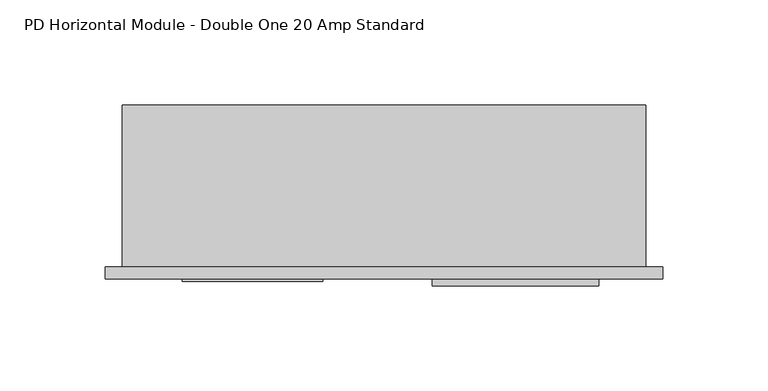
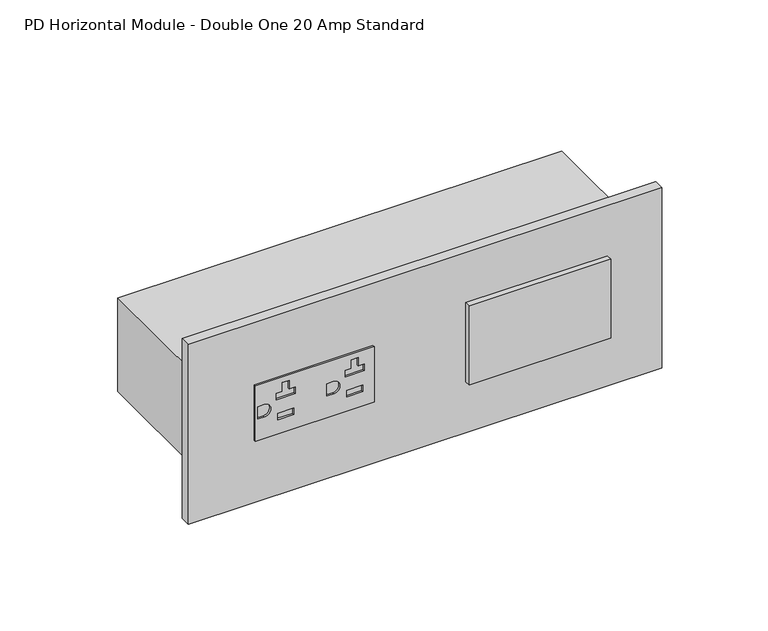
"""IFC4 building model written with IfcOpenShell, lengths in millimetres: proxy geometry, PD Horizontal Module - Double One 20 Amp Standard."""

from ifc_helpers import new_model, si_unit, point, frame, frame_2d, origin, place, context, project, spatial, polyline, circle_curve, trimmed, segment, composite_curve, outline, extrude, source, transform, mapped, element, save


def pd_horizontal_module_double_one_20_amp_standard_4a8edad1(model_context):
    return source(origin(), model_context, "Body", "SweptSolid", [
        extrude(outline(polyline([(854.6103899, 28.5842992), (821.6104559, 28.5842992), (821.6104559, 95.2641659), (854.6103899, 95.2641659), (854.6103899, 28.5842992)]), holes=[composite_curve([segment(trimmed(circle_curve(frame_2d((838.1082157, 33.7564961)), 3.6322), [point((841.7404157, 33.7564961))], [point((834.4760157, 33.7564961))], True, "CARTESIAN"), True, "CONTINUOUS"), segment(polyline([(834.4760157, 33.7564961), (834.4760157, 30.1242961), (841.7404157, 30.1242961), (841.7404157, 33.7564961)]), True, "CONTINUOUS")], self_intersect=False), polyline([(846.1104069, 43.783865), (851.2064089, 43.783865), (851.2064089, 47.644665), (846.1104069, 47.644665), (846.1104069, 51.1442541), (842.2804146, 51.1442541), (842.2804146, 40.2842758), (846.1104069, 40.2842758), (846.1104069, 43.783865)]), polyline([(833.9404313, 50.1442561), (830.1104389, 50.1442561), (830.1104389, 41.2842738), (833.9404313, 41.2842738), (833.9404313, 50.1442561)]), composite_curve([segment(polyline([(834.4760157, 72.4964187), (834.4760157, 68.8642187), (841.7404157, 68.8642187), (841.7404157, 72.4964187)]), True, "CONTINUOUS"), segment(trimmed(circle_curve(frame_2d((838.1082157, 72.4964187)), 3.6322), [point((841.7404157, 72.4964187))], [point((834.4760157, 72.4964187))], True, "CARTESIAN"), True, "CONTINUOUS")], self_intersect=False), polyline([(846.1104069, 82.5237875), (851.2064089, 82.5237875), (851.2064089, 86.3845875), (846.1104069, 86.3845875), (846.1104069, 89.8841766), (842.2804146, 89.8841766), (842.2804146, 79.0241983), (846.1104069, 79.0241983), (846.1104069, 82.5237875)]), polyline([(833.9404313, 88.8841786), (830.1104389, 88.8841786), (830.1104389, 80.0241963), (833.9404313, 80.0241963), (833.9404313, 88.8841786)])]), frame((0.0, -6.9294746, 0.0), z_axis=(0.0, 1.0, 0.0), x_axis=(0.0, 0.0, 1.0)), (0.0, 0.0, 1.0), 1.0366746),
        extrude(outline(polyline([(147.3082675, -5.8928), (226.6832675, -5.8928), (226.6832675, -9.0678), (147.3082675, -9.0678), (147.3082675, -5.8928)])), frame((0.0, 0.0, 814.8854229), z_axis=(0.0, 0.0, 1.0), x_axis=(1.0, 0.0, 0.0)), (0.0, 0.0, 1.0), 46.863),
        extrude(outline(polyline([(-8.2450977, 0.0), (257.1652913, 0.0), (257.1652913, -5.8928), (-8.2450977, -5.8928), (-8.2450977, 0.0)])), frame((0.0, 0.0, 784.6718508), z_axis=(0.0, 0.0, 1.0), x_axis=(1.0, 0.0, 0.0)), (0.0, 0.0, 1.0), 106.8771443),
        extrude(outline(polyline([(248.92, 0.0), (0.0, 0.0), (0.0, 77.054), (248.92, 77.054), (248.92, 0.0)])), frame((0.0, 0.0, 810.3355229), z_axis=(0.0, 0.0, 1.0), x_axis=(1.0, 0.0, 0.0)), (0.0, 0.0, 1.0), 55.5498),
    ])


if __name__ == "__main__":
    model = new_model("IFC4")
    model_context = context("Model", 3, world=origin())
    ifc_project = project(units=[si_unit("LENGTHUNIT", "METRE", prefix="MILLI")], contexts=[model_context])
    site = spatial("IfcSite", under=ifc_project)
    building = spatial("IfcBuilding", under=site)
    placement = place(None, origin())
    pd_horizontal_module_double_one_20_amp_standard_shape = pd_horizontal_module_double_one_20_amp_standard_4a8edad1(model_context)
    element("IfcBuildingElementProxy", 1, Name="PD Horizontal Module - Double One 20 Amp Standard", ObjectType="PD Horizontal Module - Double One 20 Amp Standard", at=placement, inside=building, context=model_context, shape_type="MappedRepresentation", body=[
        mapped(pd_horizontal_module_double_one_20_amp_standard_shape, transform((0.0, 0.0, 0.0), x_axis=(1.0, 0.0, 0.0), y_axis=(0.0, 1.0, 0.0), z_axis=(0.0, 0.0, 1.0))),
    ])
    save(model, "model.ifc")
